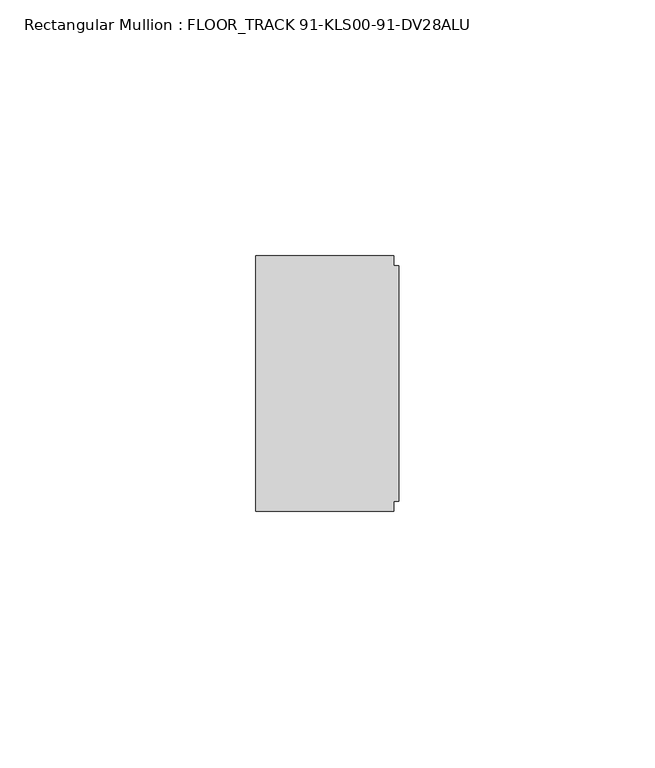
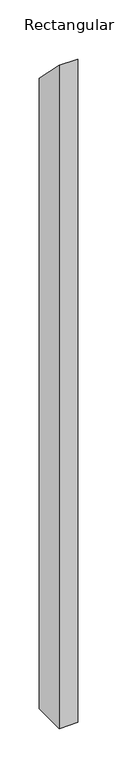
"""IFC4 building model written with IfcOpenShell, lengths in millimetres: member geometry, Rectangular Mullion : FLOOR_TRACK 91-KLS00-91-DV28ALU."""

from ifc_helpers import new_model, si_unit, origin, place, context, project, spatial, faceted_brep, source, transform, mapped, element, save


def rectangular_mullion_floor_track_91_kls00_91_dv28alu_3085f6a7(model_context):
    return source(origin(), model_context, "Body", "Brep", [
        faceted_brep([(-1.0, 25.0, -1000.0), (-1.0, 23.0, -1000.0), (0.0, 23.0, -1000.0), (0.0, -23.0, -1000.0), (-1.0, -23.0, -1000.0), (-1.0, -25.0, -1000.0), (-28.0, -25.0, -1000.0), (-28.0, 25.0, -1000.0), (-28.0, 25.0, -25.0), (-1.0, 25.0, -25.0), (-28.0, -25.0, 25.0), (-1.0, -25.0, 25.0), (-1.0, -23.0, 23.0), (0.0, -23.0, 23.0), (0.0, 23.0, -23.0), (-1.0, 23.0, -23.0)], [[[0, 1, 2, 3, 4, 5, 6, 7]], [[8, 9, 0, 7]], [[10, 8, 7, 6]], [[11, 10, 6, 5]], [[12, 11, 5, 4]], [[13, 12, 4, 3]], [[14, 13, 3, 2]], [[15, 14, 2, 1]], [[9, 15, 1, 0]], [[9, 8, 10, 11, 12, 13, 14, 15]]]),
    ])


if __name__ == "__main__":
    model = new_model("IFC4")
    model_context = context("Model", 3, world=origin())
    ifc_project = project(units=[si_unit("LENGTHUNIT", "METRE", prefix="MILLI")], contexts=[model_context])
    site = spatial("IfcSite", under=ifc_project)
    building = spatial("IfcBuilding", under=site)
    placement = place(None, origin())
    rectangular_mullion_floor_track_91_kls00_91_dv28alu_shape = rectangular_mullion_floor_track_91_kls00_91_dv28alu_3085f6a7(model_context)
    element("IfcMember", 1, ObjectType="Rectangular Mullion : FLOOR_TRACK 91-KLS00-91-DV28ALU", at=placement, inside=building, context=model_context, shape_type="MappedRepresentation", body=[
        mapped(rectangular_mullion_floor_track_91_kls00_91_dv28alu_shape, transform((0.0, 0.0, 0.0), x_axis=(1.0, 0.0, 0.0), y_axis=(0.0, 1.0, 0.0), z_axis=(0.0, 0.0, 1.0))),
    ])
    save(model, "model.ifc")
